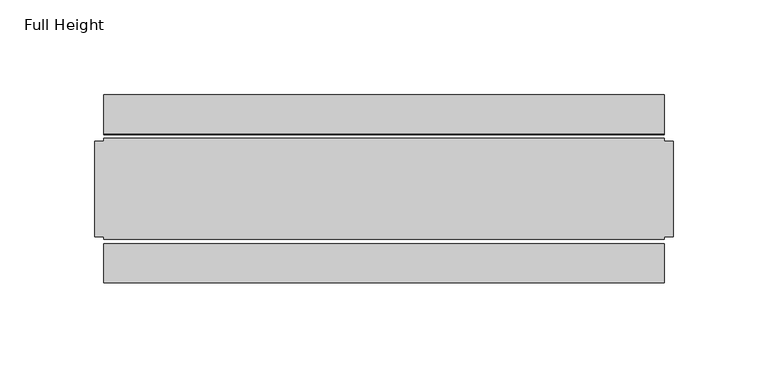
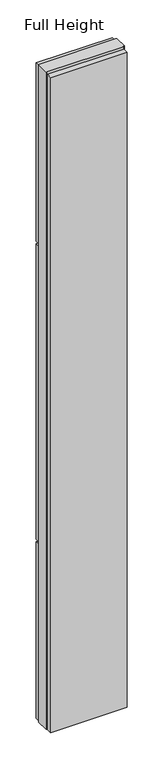
"""IFC4 building model written with IfcOpenShell, lengths in millimetres: plate geometry, Full Height."""

from ifc_helpers import new_model, si_unit, frame, origin, origin_with_axes, place, context, project, spatial, polyline, outline, extrude, source, transform, mapped, element, save


def full_height_6c62dff5(model_context):
    return source(origin(), model_context, "Body", "SweptSolid", [
        extrude(outline(polyline([(147.828, 28.956), (-147.828, 28.956), (-147.828, 49.53), (147.828, 49.53), (147.828, 28.956)])), frame((0.0, 0.0, 1949.196), z_axis=(0.0, 0.0, 1.0), x_axis=(1.0, 0.0, 0.0)), (0.0, 0.0, 1.0), 729.996),
        extrude(outline(polyline([(147.828, 28.956), (-147.828, 28.956), (-147.828, 49.53), (147.828, 49.53), (147.828, 28.956)])), frame((0.0, 0.0, 729.996), z_axis=(0.0, 0.0, 1.0), x_axis=(1.0, 0.0, 0.0)), (0.0, 0.0, 1.0), 1210.056),
        extrude(outline(polyline([(147.828, 28.956), (-147.828, 28.956), (-147.828, 49.53), (147.828, 49.53), (147.828, 28.956)])), origin_with_axes(), (0.0, 0.0, 1.0), 720.852),
        extrude(outline(polyline([(147.828, -28.956), (147.828, -49.53), (-147.828, -49.53), (-147.828, -28.956), (147.828, -28.956)])), origin_with_axes(), (0.0, 0.0, 1.0), 2679.192),
        extrude(outline(polyline([(147.828, -25.146), (147.828, -26.67), (-147.828, -26.67), (-147.828, -25.146), (-152.4, -25.146), (-152.4, 25.146), (-147.828, 25.146), (-147.828, 26.67), (147.828, 26.67), (147.828, 25.146), (152.4, 25.146), (152.4, -25.146), (147.828, -25.146)])), origin_with_axes(), (0.0, 0.0, 1.0), 2688.336),
    ])


if __name__ == "__main__":
    model = new_model("IFC4")
    model_context = context("Model", 3, world=origin())
    ifc_project = project(units=[si_unit("LENGTHUNIT", "METRE", prefix="MILLI")], contexts=[model_context])
    site = spatial("IfcSite", under=ifc_project)
    building = spatial("IfcBuilding", under=site)
    placement = place(None, origin())
    full_height_shape = full_height_6c62dff5(model_context)
    element("IfcPlate", 1, ObjectType="Full Height", at=placement, inside=building, context=model_context, shape_type="MappedRepresentation", body=[
        mapped(full_height_shape, transform((0.0, 0.0, 0.0), x_axis=(1.0, 0.0, 0.0), y_axis=(0.0, 1.0, 0.0), z_axis=(0.0, 0.0, 1.0))),
    ])
    save(model, "model.ifc")
